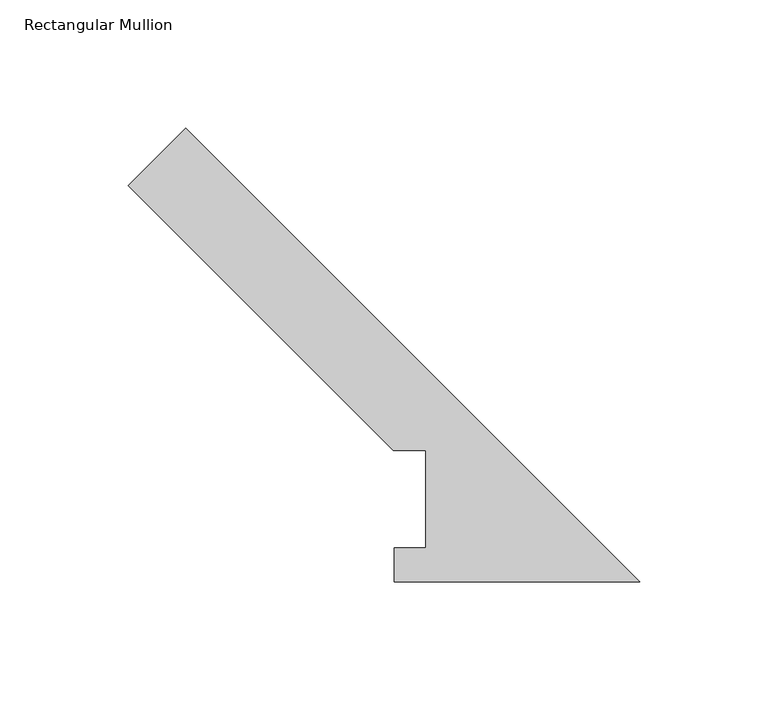
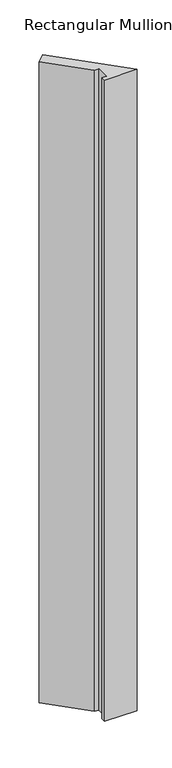
"""IFC4 building model written with IfcOpenShell, lengths in millimetres: member geometry, Rectangular Mullion."""

from ifc_helpers import new_model, si_unit, frame, origin, place, context, project, spatial, polyline, outline, extrude, source, transform, mapped, element, save


def rectangular_mullion_c3f49953(model_context):
    return source(origin(), model_context, "Body", "SweptSolid", [
        extrude(outline(polyline([(0.0, 0.0173344), (-95.7961125, 0.0173344), (-95.7961125, 13.1903275), (-83.48004, 13.1903275), (-83.48004, 51.2960938), (-96.18004, 51.2960938), (-199.4709459, 154.5869997), (-177.0203056, 177.03764), (0.0, 0.0173344)])), frame((0.0, 0.0, -1993.8999999), z_axis=(0.0, 0.0, 1.0), x_axis=(1.0, 0.0, 0.0)), (0.0, 0.0, 1.0), 1993.8999999),
    ])


if __name__ == "__main__":
    model = new_model("IFC4")
    model_context = context("Model", 3, world=origin())
    ifc_project = project(units=[si_unit("LENGTHUNIT", "METRE", prefix="MILLI")], contexts=[model_context])
    site = spatial("IfcSite", under=ifc_project)
    building = spatial("IfcBuilding", under=site)
    placement = place(None, origin())
    rectangular_mullion_shape = rectangular_mullion_c3f49953(model_context)
    element("IfcMember", 1, ObjectType="Rectangular Mullion", at=placement, inside=building, context=model_context, shape_type="MappedRepresentation", body=[
        mapped(rectangular_mullion_shape, transform((0.0, 0.0, 0.0), x_axis=(1.0, 0.0, 0.0), y_axis=(0.0, 1.0, 0.0), z_axis=(0.0, 0.0, 1.0))),
    ])
    save(model, "model.ifc")
